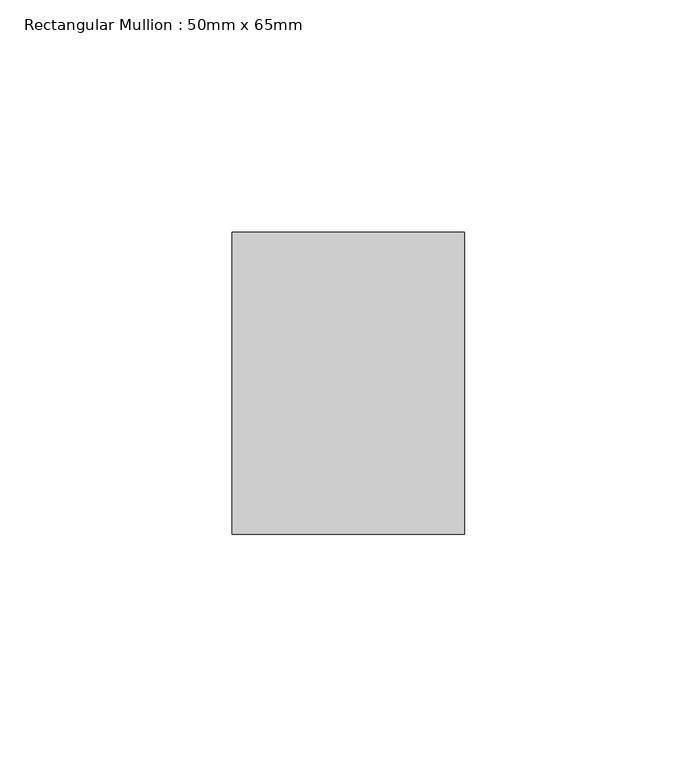
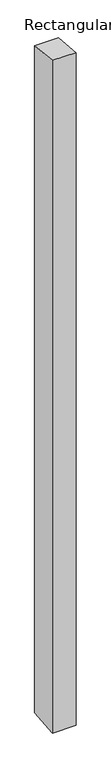
"""IFC4 building model written with IfcOpenShell, lengths in millimetres: member geometry, Rectangular Mullion : 50mm x 65mm."""

from ifc_helpers import new_model, si_unit, origin, place, context, project, spatial, faceted_brep, source, transform, mapped, element, save


def rectangular_mullion_50mm_x_65mm_63449390(model_context):
    return source(origin(), model_context, "Body", "Brep", [
        faceted_brep([(-25.0, 32.5, -3.3716797), (25.0, 32.5, -3.3716833), (25.0, 32.5, -1496.8525518), (-25.0, 32.5, -1496.8525552), (-25.0, -32.5, 3.3716833), (-25.0, -32.5, -1503.1464271), (25.0, -32.5, 3.3716797), (25.0, -32.5, -1503.1464237)], [[[0, 1, 2, 3]], [[4, 0, 3, 5]], [[6, 4, 5, 7]], [[1, 6, 7, 2]], [[1, 0, 4, 6]], [[2, 7, 5, 3]]]),
    ])


if __name__ == "__main__":
    model = new_model("IFC4")
    model_context = context("Model", 3, world=origin())
    ifc_project = project(units=[si_unit("LENGTHUNIT", "METRE", prefix="MILLI")], contexts=[model_context])
    site = spatial("IfcSite", under=ifc_project)
    building = spatial("IfcBuilding", under=site)
    placement = place(None, origin())
    rectangular_mullion_50mm_x_65mm_shape = rectangular_mullion_50mm_x_65mm_63449390(model_context)
    element("IfcMember", 1, ObjectType="Rectangular Mullion : 50mm x 65mm", at=placement, inside=building, context=model_context, shape_type="MappedRepresentation", body=[
        mapped(rectangular_mullion_50mm_x_65mm_shape, transform((0.0, 0.0, 0.0), x_axis=(1.0, 0.0, 0.0), y_axis=(0.0, 1.0, 0.0), z_axis=(0.0, 0.0, 1.0))),
    ])
    save(model, "model.ifc")
